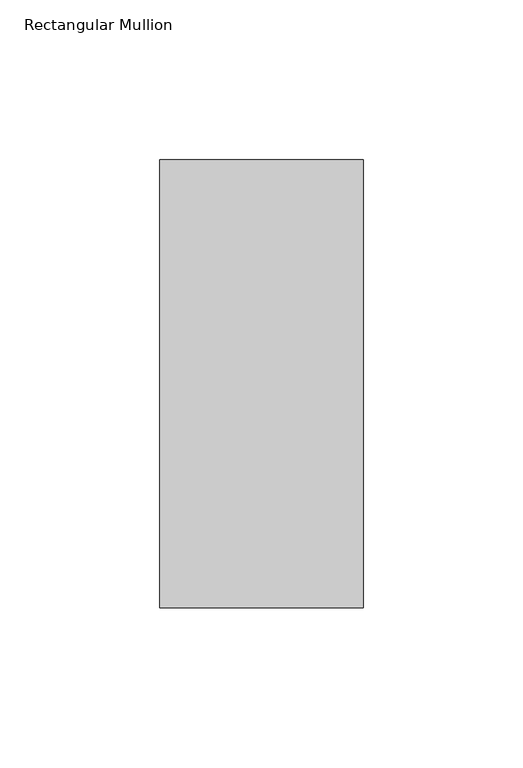
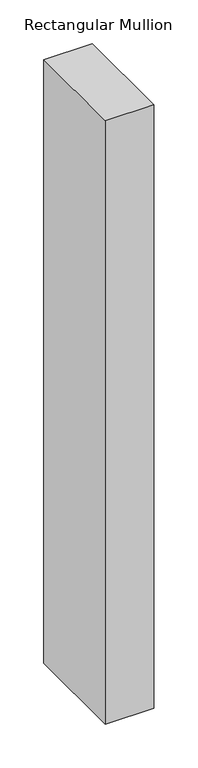
"""IFC4 building model written with IfcOpenShell, lengths in millimetres: member geometry, Rectangular Mullion."""

import ifcopenshell
import ifcopenshell.guid

model = None  # the IFC model being written
_history = None  # IfcOwnerHistory: only IFC2X3 demands one
_inside = {}  # id of a spatial element -> (the spatial element, [elements in it])
_under = {}  # id of a project, library or spatial element -> (it, [spatial elements below it])
_declared = {}  # id of a project -> (the project, [libraries it declares])
_typed = {}  # id of a type object -> (the type object, [elements of that type])
_made_of = {}  # id of a material, layer set ... -> (it, [elements and type objects made of it])


def new_model(schema):
    """Start an empty IFC model of exactly this schema.

    Asked for "IFC4X3", IfcOpenShell would pick the latest addendum, in which some entities
    have other attributes; the version numbers below select the first issue.
    IFC2X3 requires an IfcOwnerHistory on every rooted entity: one is made here for all.
    """
    global model, _history
    if schema == "IFC4X3":
        model = ifcopenshell.file(schema_version=(4, 3, 0, 0))
    else:
        model = ifcopenshell.file(schema=schema)
    _inside.clear()
    _under.clear()
    _declared.clear()
    _typed.clear()
    _made_of.clear()
    _history = None
    if model.schema == "IFC2X3":
        org = make("IfcOrganization", Name="unknown")
        user = make(
            "IfcPersonAndOrganization",
            ThePerson=make("IfcPerson", FamilyName="unknown"),
            TheOrganization=org,
        )
        app = make(
            "IfcApplication",
            ApplicationDeveloper=org,
            Version="unknown",
            ApplicationFullName="unknown",
            ApplicationIdentifier="unknown",
        )
        _history = make(
            "IfcOwnerHistory",
            OwningUser=user,
            OwningApplication=app,
            ChangeAction="ADDED",
            CreationDate=0,
        )
    return model


def make(cls, **values):
    """One entity of the class cls with the attributes given. An attribute that is None is left unset."""
    return model.create_entity(
        cls, **{name: value for name, value in values.items() if value is not None}
    )


def rooted(cls, **values):
    """An entity with a GlobalId (a new one), such as an element, a storey or a relation."""
    return make(cls, GlobalId=ifcopenshell.guid.new(), OwnerHistory=_history, **values)


def si_unit(unit_type, name, prefix=None):
    """IfcSIUnit, for example si_unit("LENGTHUNIT", "METRE", prefix="MILLI")."""
    return make("IfcSIUnit", UnitType=unit_type, Prefix=prefix, Name=name)


def assignment(units):
    """IfcUnitAssignment: the units of a project."""
    return None if units is None else make("IfcUnitAssignment", Units=units)


def point(xyz):
    """IfcCartesianPoint."""
    return None if xyz is None else make("IfcCartesianPoint", Coordinates=xyz)


def direction(xyz):
    """IfcDirection."""
    return None if xyz is None else make("IfcDirection", DirectionRatios=xyz)


def frame(location, z_axis=None, x_axis=None):
    """IfcAxis2Placement3D, a coordinate frame: its origin and axes. An axis left out is left unset."""
    return make(
        "IfcAxis2Placement3D",
        Location=point(location),
        Axis=direction(z_axis),
        RefDirection=direction(x_axis),
    )


def origin():
    """The frame at (0, 0, 0) with its axes left unset."""
    return frame((0.0, 0.0, 0.0))


def place(relative_to, where):
    """IfcLocalPlacement: puts the frame where relative to a parent placement (None: the world)."""
    return make(
        "IfcLocalPlacement", PlacementRelTo=relative_to, RelativePlacement=where
    )


def context(
    kind, dimensions, precision=None, world=None, true_north=None, identifier=None
):
    """IfcGeometricRepresentationContext, for example the 3D "Model" context."""
    return make(
        "IfcGeometricRepresentationContext",
        ContextIdentifier=identifier,
        ContextType=kind,
        CoordinateSpaceDimension=dimensions,
        Precision=precision,
        WorldCoordinateSystem=world,
        TrueNorth=true_north,
    )


def project(units=None, contexts=None):
    """IfcProject with its units and contexts."""
    return rooted(
        "IfcProject",
        Name="project",
        RepresentationContexts=contexts,
        UnitsInContext=assignment(units),
    )


def spatial(cls, under=None, at=None, **own):
    """A site, building, storey or space (cls), placed at a placement, below another one or the project."""
    s = rooted(cls, ObjectPlacement=at, **own)
    if under is not None:
        _under.setdefault(under.id(), (under, []))[1].append(s)
    return s


def polyline(points):
    """IfcPolyline through the points."""
    return make("IfcPolyline", Points=[point(p) for p in points])


def outline(outer, holes=None, kind="AREA"):
    """IfcArbitraryClosedProfileDef: a profile drawn as a closed curve; with holes, ...WithVoids."""
    if holes is None:
        return make("IfcArbitraryClosedProfileDef", ProfileType=kind, OuterCurve=outer)
    return make(
        "IfcArbitraryProfileDefWithVoids",
        ProfileType=kind,
        OuterCurve=outer,
        InnerCurves=holes,
    )


def extrude(swept, where, along, depth):
    """IfcExtrudedAreaSolid: the profile swept, set in the frame where, extruded along a direction by depth."""
    return make(
        "IfcExtrudedAreaSolid",
        SweptArea=swept,
        Position=where,
        ExtrudedDirection=direction(along),
        Depth=depth,
    )


def shape(context_of_items, identifier, shape_type, items):
    """IfcShapeRepresentation: the items that make up one representation, for example the "Body"."""
    return make(
        "IfcShapeRepresentation",
        ContextOfItems=context_of_items,
        RepresentationIdentifier=identifier,
        RepresentationType=shape_type,
        Items=items,
    )


def source(mapping_origin, context_of_items, identifier, shape_type, items):
    """IfcRepresentationMap: a shape defined once, which mapped items show again and again."""
    return make(
        "IfcRepresentationMap",
        MappingOrigin=mapping_origin,
        MappedRepresentation=shape(context_of_items, identifier, shape_type, items),
    )


def transform(
    local_origin,
    x_axis=None,
    y_axis=None,
    z_axis=None,
    scale=None,
    scale2=None,
    scale3=None,
    uniform=True,
):
    """IfcCartesianTransformationOperator3D, or its non-uniform kind. x_axis, y_axis, z_axis: its Axis1, 2, 3."""
    if uniform:
        return make(
            "IfcCartesianTransformationOperator3D",
            Axis1=direction(x_axis),
            Axis2=direction(y_axis),
            LocalOrigin=point(local_origin),
            Scale=scale,
            Axis3=direction(z_axis),
        )
    return make(
        "IfcCartesianTransformationOperator3DnonUniform",
        Axis1=direction(x_axis),
        Axis2=direction(y_axis),
        LocalOrigin=point(local_origin),
        Scale=scale,
        Axis3=direction(z_axis),
        Scale2=scale2,
        Scale3=scale3,
    )


def mapped(mapping_source, mapping_target):
    """IfcMappedItem: shows the shape of a source again, moved by a transform."""
    return make(
        "IfcMappedItem", MappingSource=mapping_source, MappingTarget=mapping_target
    )


def made_of(thing, what):
    """Note that an element or type object is made of a material, layer set ...; save() writes the relation."""
    if what is not None:
        _made_of.setdefault(what.id(), (what, []))[1].append(thing)
    return thing


def element(
    cls,
    number,
    at=None,
    inside=None,
    cuts=None,
    type_object=None,
    material=None,
    context=None,
    identifier="Body",
    shape_type=None,
    held_by="IfcProductDefinitionShape",
    body=None,
    shapes=None,
    **own,
):
    """One element of the class cls, such as IfcWall. Its Tag is "e" and its number.

    at: its placement. inside: the storey or other place that contains it. cuts: it is an
    opening in that element (IfcRelVoidsElement). A single representation is given by context,
    identifier, shape_type and body (its items); several are given by shapes. held_by: the class
    of the entity that holds the representations. save() writes the other relations.
    """
    e = rooted(cls, Tag="e%d" % number, ObjectPlacement=at, **own)
    if body is not None:
        shapes = [shape(context, identifier, shape_type, body)]
    if shapes is not None:
        e.Representation = make(held_by, Representations=shapes)
    if inside is not None:
        _inside.setdefault(inside.id(), (inside, []))[1].append(e)
    if cuts is not None:
        rooted(
            "IfcRelVoidsElement", RelatingBuildingElement=cuts, RelatedOpeningElement=e
        )
    if type_object is not None:
        _typed.setdefault(type_object.id(), (type_object, []))[1].append(e)
    return made_of(e, material)


def aggregate(whole, parts):
    """IfcRelAggregates: a whole, such as a stair, and the parts it consists of."""
    return rooted("IfcRelAggregates", RelatingObject=whole, RelatedObjects=parts)


def save(model, path):
    """Write the relations noted so far, then the file.

    IfcRelAggregates (storeys below a building ...), IfcRelContainedInSpatialStructure (elements
    in a storey), IfcRelDefinesByType, IfcRelAssociatesMaterial and IfcRelDeclares: one each for
    every whole, place, type object, material and project.
    """
    for whole, parts in _under.values():
        aggregate(whole, parts)
    for where, things in _inside.values():
        rooted(
            "IfcRelContainedInSpatialStructure",
            RelatedElements=things,
            RelatingStructure=where,
        )
    for kind, things in _typed.values():
        rooted("IfcRelDefinesByType", RelatedObjects=things, RelatingType=kind)
    for what, things in _made_of.values():
        rooted("IfcRelAssociatesMaterial", RelatedObjects=things, RelatingMaterial=what)
    for by, libraries in _declared.values():
        rooted("IfcRelDeclares", RelatingContext=by, RelatedDefinitions=libraries)
    model.write(path)


def rectangular_mullion_6ba78f64(model_context):
    return source(origin(), model_context, "Body", "SweptSolid", [
        extrude(outline(polyline([(-31.75, 190.7881313), (31.75, 190.7881313), (31.75, 50.820278), (-31.75, 50.820278), (-31.75, 190.7881313)])), frame((0.0, 0.0, -838.2), z_axis=(0.0, 0.0, 1.0), x_axis=(1.0, 0.0, 0.0)), (0.0, 0.0, 1.0), 838.2),
    ])


if __name__ == "__main__":
    model = new_model("IFC4")
    model_context = context("Model", 3, world=origin())
    ifc_project = project(units=[si_unit("LENGTHUNIT", "METRE", prefix="MILLI")], contexts=[model_context])
    site = spatial("IfcSite", under=ifc_project)
    building = spatial("IfcBuilding", under=site)
    placement = place(None, origin())
    rectangular_mullion_shape = rectangular_mullion_6ba78f64(model_context)
    element("IfcMember", 1, ObjectType="Rectangular Mullion", at=placement, inside=building, context=model_context, shape_type="MappedRepresentation", body=[
        mapped(rectangular_mullion_shape, transform((0.0, 0.0, 0.0), x_axis=(1.0, 0.0, 0.0), y_axis=(0.0, 1.0, 0.0), z_axis=(0.0, 0.0, 1.0))),
    ])
    save(model, "model.ifc")
